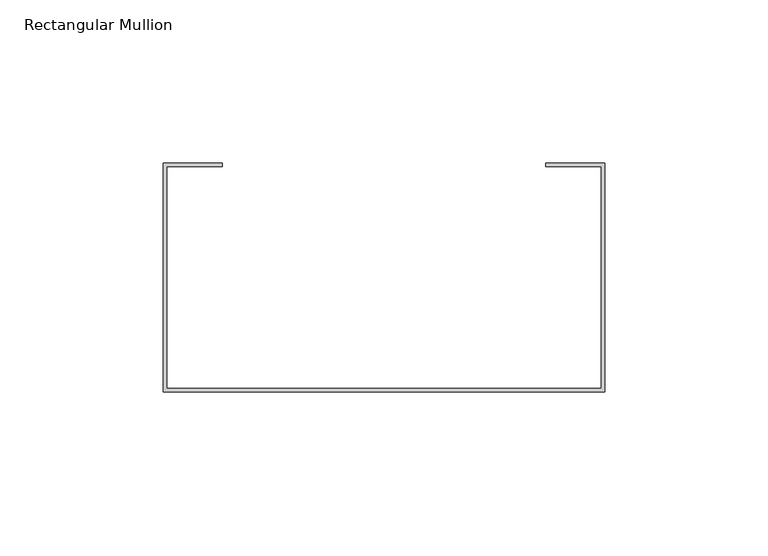
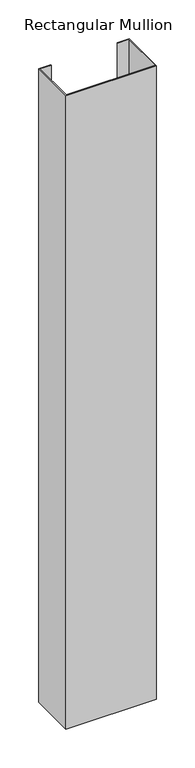
"""IFC4 building model written with IfcOpenShell, lengths in millimetres: member geometry, Rectangular Mullion."""

import ifcopenshell
import ifcopenshell.guid

model = None  # the IFC model being written
_history = None  # IfcOwnerHistory: only IFC2X3 demands one
_inside = {}  # id of a spatial element -> (the spatial element, [elements in it])
_under = {}  # id of a project, library or spatial element -> (it, [spatial elements below it])
_declared = {}  # id of a project -> (the project, [libraries it declares])
_typed = {}  # id of a type object -> (the type object, [elements of that type])
_made_of = {}  # id of a material, layer set ... -> (it, [elements and type objects made of it])


def new_model(schema):
    """Start an empty IFC model of exactly this schema.

    Asked for "IFC4X3", IfcOpenShell would pick the latest addendum, in which some entities
    have other attributes; the version numbers below select the first issue.
    IFC2X3 requires an IfcOwnerHistory on every rooted entity: one is made here for all.
    """
    global model, _history
    if schema == "IFC4X3":
        model = ifcopenshell.file(schema_version=(4, 3, 0, 0))
    else:
        model = ifcopenshell.file(schema=schema)
    _inside.clear()
    _under.clear()
    _declared.clear()
    _typed.clear()
    _made_of.clear()
    _history = None
    if model.schema == "IFC2X3":
        org = make("IfcOrganization", Name="unknown")
        user = make(
            "IfcPersonAndOrganization",
            ThePerson=make("IfcPerson", FamilyName="unknown"),
            TheOrganization=org,
        )
        app = make(
            "IfcApplication",
            ApplicationDeveloper=org,
            Version="unknown",
            ApplicationFullName="unknown",
            ApplicationIdentifier="unknown",
        )
        _history = make(
            "IfcOwnerHistory",
            OwningUser=user,
            OwningApplication=app,
            ChangeAction="ADDED",
            CreationDate=0,
        )
    return model


def make(cls, **values):
    """One entity of the class cls with the attributes given. An attribute that is None is left unset."""
    return model.create_entity(
        cls, **{name: value for name, value in values.items() if value is not None}
    )


def rooted(cls, **values):
    """An entity with a GlobalId (a new one), such as an element, a storey or a relation."""
    return make(cls, GlobalId=ifcopenshell.guid.new(), OwnerHistory=_history, **values)


def si_unit(unit_type, name, prefix=None):
    """IfcSIUnit, for example si_unit("LENGTHUNIT", "METRE", prefix="MILLI")."""
    return make("IfcSIUnit", UnitType=unit_type, Prefix=prefix, Name=name)


def assignment(units):
    """IfcUnitAssignment: the units of a project."""
    return None if units is None else make("IfcUnitAssignment", Units=units)


def point(xyz):
    """IfcCartesianPoint."""
    return None if xyz is None else make("IfcCartesianPoint", Coordinates=xyz)


def direction(xyz):
    """IfcDirection."""
    return None if xyz is None else make("IfcDirection", DirectionRatios=xyz)


def frame(location, z_axis=None, x_axis=None):
    """IfcAxis2Placement3D, a coordinate frame: its origin and axes. An axis left out is left unset."""
    return make(
        "IfcAxis2Placement3D",
        Location=point(location),
        Axis=direction(z_axis),
        RefDirection=direction(x_axis),
    )


def origin():
    """The frame at (0, 0, 0) with its axes left unset."""
    return frame((0.0, 0.0, 0.0))


def place(relative_to, where):
    """IfcLocalPlacement: puts the frame where relative to a parent placement (None: the world)."""
    return make(
        "IfcLocalPlacement", PlacementRelTo=relative_to, RelativePlacement=where
    )


def context(
    kind, dimensions, precision=None, world=None, true_north=None, identifier=None
):
    """IfcGeometricRepresentationContext, for example the 3D "Model" context."""
    return make(
        "IfcGeometricRepresentationContext",
        ContextIdentifier=identifier,
        ContextType=kind,
        CoordinateSpaceDimension=dimensions,
        Precision=precision,
        WorldCoordinateSystem=world,
        TrueNorth=true_north,
    )


def project(units=None, contexts=None):
    """IfcProject with its units and contexts."""
    return rooted(
        "IfcProject",
        Name="project",
        RepresentationContexts=contexts,
        UnitsInContext=assignment(units),
    )


def spatial(cls, under=None, at=None, **own):
    """A site, building, storey or space (cls), placed at a placement, below another one or the project."""
    s = rooted(cls, ObjectPlacement=at, **own)
    if under is not None:
        _under.setdefault(under.id(), (under, []))[1].append(s)
    return s


def polyline(points):
    """IfcPolyline through the points."""
    return make("IfcPolyline", Points=[point(p) for p in points])


def outline(outer, holes=None, kind="AREA"):
    """IfcArbitraryClosedProfileDef: a profile drawn as a closed curve; with holes, ...WithVoids."""
    if holes is None:
        return make("IfcArbitraryClosedProfileDef", ProfileType=kind, OuterCurve=outer)
    return make(
        "IfcArbitraryProfileDefWithVoids",
        ProfileType=kind,
        OuterCurve=outer,
        InnerCurves=holes,
    )


def extrude(swept, where, along, depth):
    """IfcExtrudedAreaSolid: the profile swept, set in the frame where, extruded along a direction by depth."""
    return make(
        "IfcExtrudedAreaSolid",
        SweptArea=swept,
        Position=where,
        ExtrudedDirection=direction(along),
        Depth=depth,
    )


def shape(context_of_items, identifier, shape_type, items):
    """IfcShapeRepresentation: the items that make up one representation, for example the "Body"."""
    return make(
        "IfcShapeRepresentation",
        ContextOfItems=context_of_items,
        RepresentationIdentifier=identifier,
        RepresentationType=shape_type,
        Items=items,
    )


def source(mapping_origin, context_of_items, identifier, shape_type, items):
    """IfcRepresentationMap: a shape defined once, which mapped items show again and again."""
    return make(
        "IfcRepresentationMap",
        MappingOrigin=mapping_origin,
        MappedRepresentation=shape(context_of_items, identifier, shape_type, items),
    )


def transform(
    local_origin,
    x_axis=None,
    y_axis=None,
    z_axis=None,
    scale=None,
    scale2=None,
    scale3=None,
    uniform=True,
):
    """IfcCartesianTransformationOperator3D, or its non-uniform kind. x_axis, y_axis, z_axis: its Axis1, 2, 3."""
    if uniform:
        return make(
            "IfcCartesianTransformationOperator3D",
            Axis1=direction(x_axis),
            Axis2=direction(y_axis),
            LocalOrigin=point(local_origin),
            Scale=scale,
            Axis3=direction(z_axis),
        )
    return make(
        "IfcCartesianTransformationOperator3DnonUniform",
        Axis1=direction(x_axis),
        Axis2=direction(y_axis),
        LocalOrigin=point(local_origin),
        Scale=scale,
        Axis3=direction(z_axis),
        Scale2=scale2,
        Scale3=scale3,
    )


def mapped(mapping_source, mapping_target):
    """IfcMappedItem: shows the shape of a source again, moved by a transform."""
    return make(
        "IfcMappedItem", MappingSource=mapping_source, MappingTarget=mapping_target
    )


def made_of(thing, what):
    """Note that an element or type object is made of a material, layer set ...; save() writes the relation."""
    if what is not None:
        _made_of.setdefault(what.id(), (what, []))[1].append(thing)
    return thing


def element(
    cls,
    number,
    at=None,
    inside=None,
    cuts=None,
    type_object=None,
    material=None,
    context=None,
    identifier="Body",
    shape_type=None,
    held_by="IfcProductDefinitionShape",
    body=None,
    shapes=None,
    **own,
):
    """One element of the class cls, such as IfcWall. Its Tag is "e" and its number.

    at: its placement. inside: the storey or other place that contains it. cuts: it is an
    opening in that element (IfcRelVoidsElement). A single representation is given by context,
    identifier, shape_type and body (its items); several are given by shapes. held_by: the class
    of the entity that holds the representations. save() writes the other relations.
    """
    e = rooted(cls, Tag="e%d" % number, ObjectPlacement=at, **own)
    if body is not None:
        shapes = [shape(context, identifier, shape_type, body)]
    if shapes is not None:
        e.Representation = make(held_by, Representations=shapes)
    if inside is not None:
        _inside.setdefault(inside.id(), (inside, []))[1].append(e)
    if cuts is not None:
        rooted(
            "IfcRelVoidsElement", RelatingBuildingElement=cuts, RelatedOpeningElement=e
        )
    if type_object is not None:
        _typed.setdefault(type_object.id(), (type_object, []))[1].append(e)
    return made_of(e, material)


def aggregate(whole, parts):
    """IfcRelAggregates: a whole, such as a stair, and the parts it consists of."""
    return rooted("IfcRelAggregates", RelatingObject=whole, RelatedObjects=parts)


def save(model, path):
    """Write the relations noted so far, then the file.

    IfcRelAggregates (storeys below a building ...), IfcRelContainedInSpatialStructure (elements
    in a storey), IfcRelDefinesByType, IfcRelAssociatesMaterial and IfcRelDeclares: one each for
    every whole, place, type object, material and project.
    """
    for whole, parts in _under.values():
        aggregate(whole, parts)
    for where, things in _inside.values():
        rooted(
            "IfcRelContainedInSpatialStructure",
            RelatedElements=things,
            RelatingStructure=where,
        )
    for kind, things in _typed.values():
        rooted("IfcRelDefinesByType", RelatedObjects=things, RelatingType=kind)
    for what, things in _made_of.values():
        rooted("IfcRelAssociatesMaterial", RelatedObjects=things, RelatingMaterial=what)
    for by, libraries in _declared.values():
        rooted("IfcRelDeclares", RelatingContext=by, RelatedDefinitions=libraries)
    model.write(path)


def rectangular_mullion_21d1fbb2(model_context):
    return source(origin(), model_context, "Body", "SweptSolid", [
        extrude(outline(polyline([(-67.5, 24.9842182), (-67.5, 94.9842182), (-49.5, 94.9842182), (-49.5, 93.9842182), (-66.5, 93.9842182), (-66.5, 25.9842182), (66.5, 25.9842182), (66.5, 93.9842182), (49.5, 93.9842182), (49.5, 94.9842182), (67.5, 94.9842182), (67.5, 24.9842182), (-67.5, 24.9842182)])), frame((0.0, 0.0, -1000.0), z_axis=(0.0, 0.0, 1.0), x_axis=(1.0, 0.0, 0.0)), (0.0, 0.0, 1.0), 1000.0),
    ])


if __name__ == "__main__":
    model = new_model("IFC4")
    model_context = context("Model", 3, world=origin())
    ifc_project = project(units=[si_unit("LENGTHUNIT", "METRE", prefix="MILLI")], contexts=[model_context])
    site = spatial("IfcSite", under=ifc_project)
    building = spatial("IfcBuilding", under=site)
    placement = place(None, origin())
    rectangular_mullion_shape = rectangular_mullion_21d1fbb2(model_context)
    element("IfcMember", 1, ObjectType="Rectangular Mullion", at=placement, inside=building, context=model_context, shape_type="MappedRepresentation", body=[
        mapped(rectangular_mullion_shape, transform((0.0, 0.0, 0.0), x_axis=(1.0, 0.0, 0.0), y_axis=(0.0, 1.0, 0.0), z_axis=(0.0, 0.0, 1.0))),
    ])
    save(model, "model.ifc")
